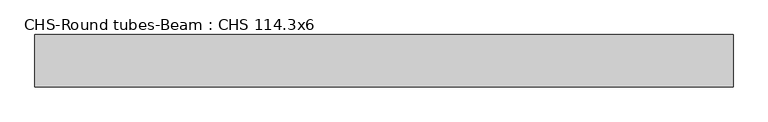
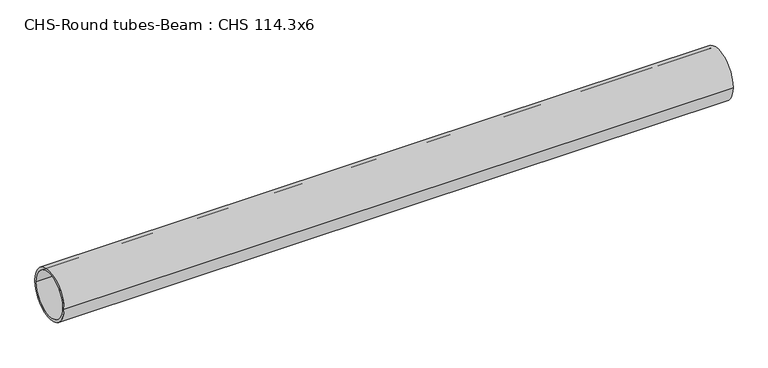
"""IFC4 building model written with IfcOpenShell, lengths in millimetres: beam geometry, CHS-Round tubes-Beam : CHS 114.3x6."""

from ifc_helpers import new_model, si_unit, point, frame, origin, origin_2d, place, context, project, spatial, circle_curve, trimmed, segment, composite_curve, outline, extrude, source, transform, mapped, element, save


def chs_round_tubes_beam_chs_114_3x6_cee5dc62(model_context):
    return source(origin(), model_context, "Body", "SweptSolid", [
        extrude(outline(composite_curve([segment(trimmed(circle_curve(origin_2d(), 57.15), [point((57.15, 0.0))], [point((-57.15, 0.0))], False, "CARTESIAN"), True, "CONTINUOUS"), segment(trimmed(circle_curve(origin_2d(), 57.15), [point((-57.15, 0.0))], [point((57.15, 0.0))], False, "CARTESIAN"), True, "CONTINUOUS")], self_intersect=False), holes=[composite_curve([segment(trimmed(circle_curve(origin_2d(), 51.15), [point((51.15, 0.0))], [point((-51.15, 0.0))], True, "CARTESIAN"), True, "CONTINUOUS"), segment(trimmed(circle_curve(origin_2d(), 51.15), [point((-51.15, 0.0))], [point((51.15, 0.0))], True, "CARTESIAN"), True, "CONTINUOUS")], self_intersect=False)]), frame((-745.1920567, 0.0, 0.0), z_axis=(1.0, 0.0, 0.0), x_axis=(0.0, 1.0, 0.0)), (0.0, 0.0, 1.0), 1519.2169407),
    ])


if __name__ == "__main__":
    model = new_model("IFC4")
    model_context = context("Model", 3, world=origin())
    ifc_project = project(units=[si_unit("LENGTHUNIT", "METRE", prefix="MILLI")], contexts=[model_context])
    site = spatial("IfcSite", under=ifc_project)
    building = spatial("IfcBuilding", under=site)
    placement = place(None, origin())
    chs_round_tubes_beam_chs_114_3x6_shape = chs_round_tubes_beam_chs_114_3x6_cee5dc62(model_context)
    element("IfcBeam", 1, ObjectType="CHS-Round tubes-Beam : CHS 114.3x6", at=placement, inside=building, context=model_context, shape_type="MappedRepresentation", body=[
        mapped(chs_round_tubes_beam_chs_114_3x6_shape, transform((0.0, 0.0, 0.0), x_axis=(1.0, 0.0, 0.0), y_axis=(0.0, 1.0, 0.0), z_axis=(0.0, 0.0, 1.0))),
    ])
    save(model, "model.ifc")
